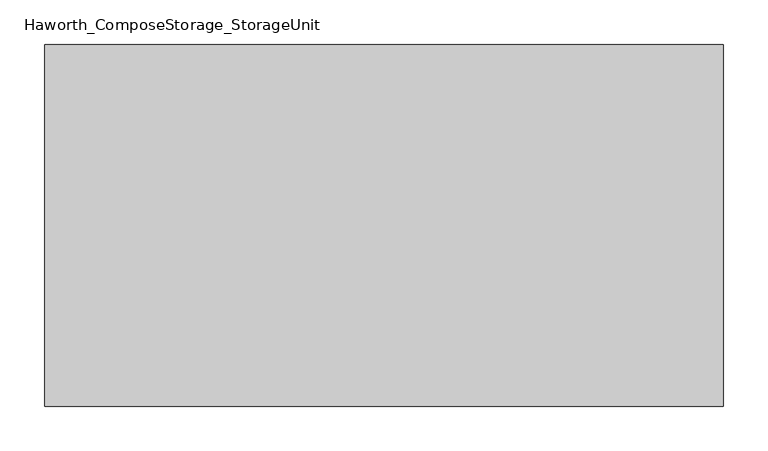
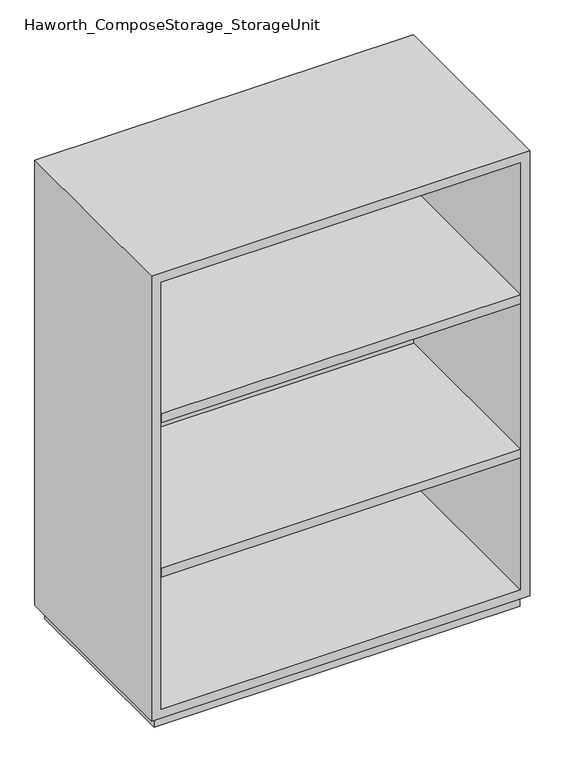
"""IFC4 building model written with IfcOpenShell, lengths in millimetres: furniture geometry, Haworth_ComposeStorage_StorageUnit."""

from ifc_helpers import new_model, si_unit, frame, origin, origin_with_axes, place, context, project, spatial, polyline, outline, extrude, source, transform, mapped, element, save


def haworth_composestorage_storageunit_0940d4ce(model_context):
    return source(origin(), model_context, "Body", "SweptSolid", [
        extrude(outline(polyline([(361.9569453, 219.075), (361.9569453, -152.4), (-361.9291641, -152.4), (-361.9291641, 219.075), (361.9569453, 219.075)])), frame((0.0, 0.0, 652.9916667), z_axis=(0.0, 0.0, 1.0), x_axis=(1.0, 0.0, 0.0)), (0.0, 0.0, 1.0), 19.05),
        extrude(outline(polyline([(361.9569453, 219.075), (361.9569453, -152.4), (-361.9291641, -152.4), (-361.9291641, 219.075), (361.9569453, 219.075)])), frame((0.0, 0.0, 324.9083333), z_axis=(0.0, 0.0, 1.0), x_axis=(1.0, 0.0, 0.0)), (0.0, 0.0, 1.0), 19.05),
        extrude(outline(polyline([(25.4, -380.9861094), (25.4, 381.0138906), (971.55, 381.0138906), (971.55, -380.9861094), (25.4, -380.9861094)]), holes=[polyline([(44.45, -361.9361094), (952.5, -361.9361094), (952.5, 361.9569453), (44.45, 361.9569453), (44.45, -361.9361094)])]), frame((0.0, -152.4, 0.0), z_axis=(0.0, 1.0, 0.0), x_axis=(0.0, 0.0, 1.0)), (0.0, 0.0, 1.0), 406.4),
        extrude(outline(polyline([(-361.9291641, 219.075), (-361.9291641, 228.6), (361.9569453, 228.6), (361.9569453, 219.075), (-361.9291641, 219.075)])), frame((0.0, 0.0, 44.45), z_axis=(0.0, 0.0, 1.0), x_axis=(1.0, 0.0, 0.0)), (0.0, 0.0, 1.0), 908.05),
        extrude(outline(polyline([(368.3138906, -139.7), (-368.2861094, -139.7), (-368.2861094, 241.3), (368.3138906, 241.3), (368.3138906, -139.7)])), origin_with_axes(), (0.0, 0.0, 1.0), 25.4),
    ])


if __name__ == "__main__":
    model = new_model("IFC4")
    model_context = context("Model", 3, world=origin())
    ifc_project = project(units=[si_unit("LENGTHUNIT", "METRE", prefix="MILLI")], contexts=[model_context])
    site = spatial("IfcSite", under=ifc_project)
    building = spatial("IfcBuilding", under=site)
    placement = place(None, origin())
    haworth_composestorage_storageunit_shape = haworth_composestorage_storageunit_0940d4ce(model_context)
    element("IfcFurniture", 1, ObjectType="Haworth_ComposeStorage_StorageUnit", at=placement, inside=building, context=model_context, shape_type="MappedRepresentation", body=[
        mapped(haworth_composestorage_storageunit_shape, transform((0.0, 0.0, 0.0), x_axis=(1.0, 0.0, 0.0), y_axis=(0.0, 1.0, 0.0), z_axis=(0.0, 0.0, 1.0))),
    ])
    save(model, "model.ifc")
